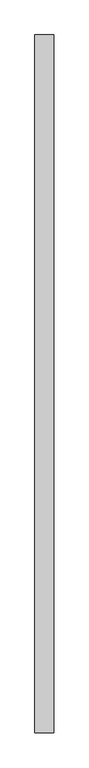
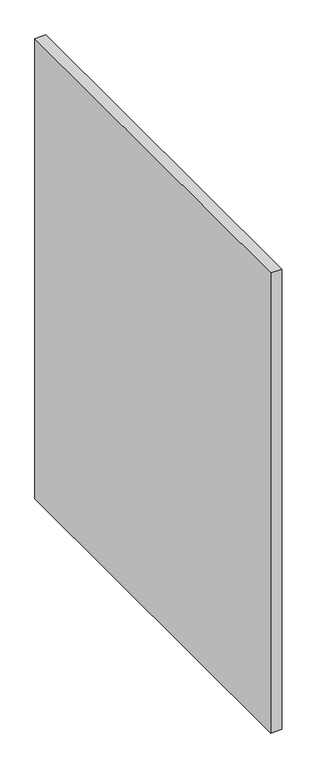
"""IFC4 building model written with IfcOpenShell, lengths in millimetres: proxy geometry."""

from ifc_helpers import new_model, si_unit, origin, origin_with_axes, place, context, project, spatial, polyline, outline, extrude, source, transform, mapped, element, save


def generic_models_3a0d4a33(model_context):
    return source(origin(), model_context, "Body", "SweptSolid", [
        extrude(outline(polyline([(70.0, 2600.0), (70.0, 0.0), (0.0, 0.0), (0.0, 2600.0), (70.0, 2600.0)])), origin_with_axes(), (0.0, 0.0, 1.0), 3100.0),
    ])


if __name__ == "__main__":
    model = new_model("IFC4")
    model_context = context("Model", 3, world=origin())
    ifc_project = project(units=[si_unit("LENGTHUNIT", "METRE", prefix="MILLI")], contexts=[model_context])
    site = spatial("IfcSite", under=ifc_project)
    building = spatial("IfcBuilding", under=site)
    placement = place(None, origin())
    generic_models_shape = generic_models_3a0d4a33(model_context)
    element("IfcBuildingElementProxy", 1, Name="Generic Models", at=placement, inside=building, context=model_context, shape_type="MappedRepresentation", body=[
        mapped(generic_models_shape, transform((0.0, 0.0, 0.0), x_axis=(1.0, 0.0, 0.0), y_axis=(0.0, 1.0, 0.0), z_axis=(0.0, 0.0, 1.0))),
    ])
    save(model, "model.ifc")
